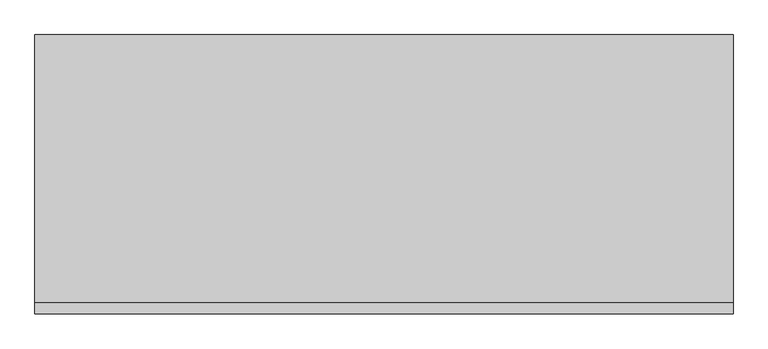
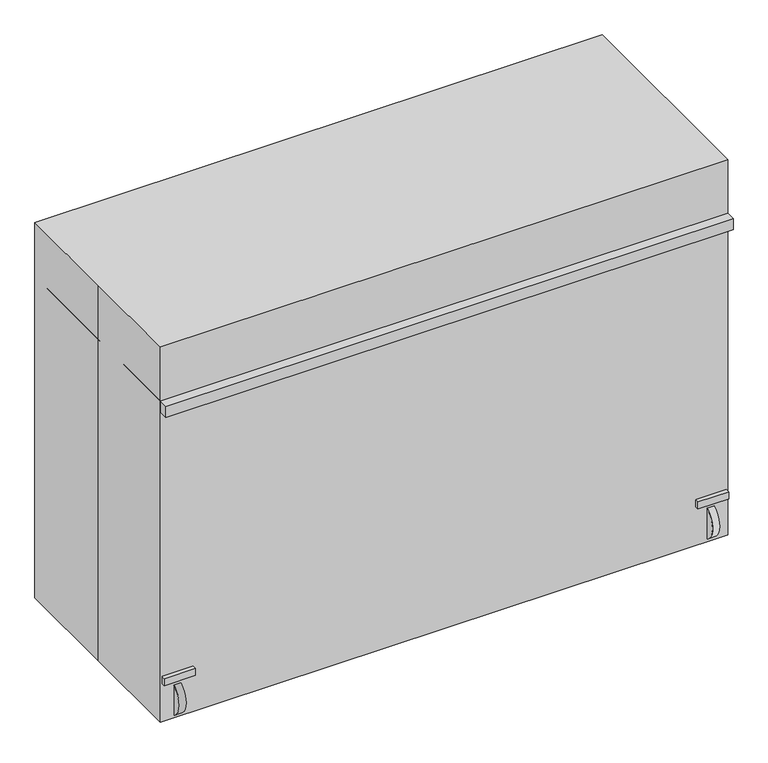
"""IFC4 building model written with IfcOpenShell, lengths in millimetres: proxy geometry."""

import ifcopenshell
import ifcopenshell.guid

model = None  # the IFC model being written
_history = None  # IfcOwnerHistory: only IFC2X3 demands one
_inside = {}  # id of a spatial element -> (the spatial element, [elements in it])
_under = {}  # id of a project, library or spatial element -> (it, [spatial elements below it])
_declared = {}  # id of a project -> (the project, [libraries it declares])
_typed = {}  # id of a type object -> (the type object, [elements of that type])
_made_of = {}  # id of a material, layer set ... -> (it, [elements and type objects made of it])


def new_model(schema):
    """Start an empty IFC model of exactly this schema.

    Asked for "IFC4X3", IfcOpenShell would pick the latest addendum, in which some entities
    have other attributes; the version numbers below select the first issue.
    IFC2X3 requires an IfcOwnerHistory on every rooted entity: one is made here for all.
    """
    global model, _history
    if schema == "IFC4X3":
        model = ifcopenshell.file(schema_version=(4, 3, 0, 0))
    else:
        model = ifcopenshell.file(schema=schema)
    _inside.clear()
    _under.clear()
    _declared.clear()
    _typed.clear()
    _made_of.clear()
    _history = None
    if model.schema == "IFC2X3":
        org = make("IfcOrganization", Name="unknown")
        user = make(
            "IfcPersonAndOrganization",
            ThePerson=make("IfcPerson", FamilyName="unknown"),
            TheOrganization=org,
        )
        app = make(
            "IfcApplication",
            ApplicationDeveloper=org,
            Version="unknown",
            ApplicationFullName="unknown",
            ApplicationIdentifier="unknown",
        )
        _history = make(
            "IfcOwnerHistory",
            OwningUser=user,
            OwningApplication=app,
            ChangeAction="ADDED",
            CreationDate=0,
        )
    return model


def make(cls, **values):
    """One entity of the class cls with the attributes given. An attribute that is None is left unset."""
    return model.create_entity(
        cls, **{name: value for name, value in values.items() if value is not None}
    )


def rooted(cls, **values):
    """An entity with a GlobalId (a new one), such as an element, a storey or a relation."""
    return make(cls, GlobalId=ifcopenshell.guid.new(), OwnerHistory=_history, **values)


def si_unit(unit_type, name, prefix=None):
    """IfcSIUnit, for example si_unit("LENGTHUNIT", "METRE", prefix="MILLI")."""
    return make("IfcSIUnit", UnitType=unit_type, Prefix=prefix, Name=name)


def assignment(units):
    """IfcUnitAssignment: the units of a project."""
    return None if units is None else make("IfcUnitAssignment", Units=units)


def point(xyz):
    """IfcCartesianPoint."""
    return None if xyz is None else make("IfcCartesianPoint", Coordinates=xyz)


def direction(xyz):
    """IfcDirection."""
    return None if xyz is None else make("IfcDirection", DirectionRatios=xyz)


def frame(location, z_axis=None, x_axis=None):
    """IfcAxis2Placement3D, a coordinate frame: its origin and axes. An axis left out is left unset."""
    return make(
        "IfcAxis2Placement3D",
        Location=point(location),
        Axis=direction(z_axis),
        RefDirection=direction(x_axis),
    )


def frame_2d(location, x_axis=None):
    """IfcAxis2Placement2D, a coordinate frame in the plane: its origin and x axis."""
    return make(
        "IfcAxis2Placement2D", Location=point(location), RefDirection=direction(x_axis)
    )


def origin():
    """The frame at (0, 0, 0) with its axes left unset."""
    return frame((0.0, 0.0, 0.0))


def origin_with_axes():
    """The frame at (0, 0, 0) with the z axis (0, 0, 1) and the x axis (1, 0, 0) written out."""
    return frame((0.0, 0.0, 0.0), z_axis=(0.0, 0.0, 1.0), x_axis=(1.0, 0.0, 0.0))


def place(relative_to, where):
    """IfcLocalPlacement: puts the frame where relative to a parent placement (None: the world)."""
    return make(
        "IfcLocalPlacement", PlacementRelTo=relative_to, RelativePlacement=where
    )


def context(
    kind, dimensions, precision=None, world=None, true_north=None, identifier=None
):
    """IfcGeometricRepresentationContext, for example the 3D "Model" context."""
    return make(
        "IfcGeometricRepresentationContext",
        ContextIdentifier=identifier,
        ContextType=kind,
        CoordinateSpaceDimension=dimensions,
        Precision=precision,
        WorldCoordinateSystem=world,
        TrueNorth=true_north,
    )


def project(units=None, contexts=None):
    """IfcProject with its units and contexts."""
    return rooted(
        "IfcProject",
        Name="project",
        RepresentationContexts=contexts,
        UnitsInContext=assignment(units),
    )


def spatial(cls, under=None, at=None, **own):
    """A site, building, storey or space (cls), placed at a placement, below another one or the project."""
    s = rooted(cls, ObjectPlacement=at, **own)
    if under is not None:
        _under.setdefault(under.id(), (under, []))[1].append(s)
    return s


def polyline(points):
    """IfcPolyline through the points."""
    return make("IfcPolyline", Points=[point(p) for p in points])


def circle_curve(where, radius):
    """IfcCircle in the frame where."""
    return make("IfcCircle", Position=where, Radius=radius)


def trimmed(basis, trim1, trim2, sense, master):
    """IfcTrimmedCurve: the piece of a basis curve between two trims."""
    return make(
        "IfcTrimmedCurve",
        BasisCurve=basis,
        Trim1=trim1,
        Trim2=trim2,
        SenseAgreement=sense,
        MasterRepresentation=master,
    )


def segment(curve, same_sense, transition):
    """IfcCompositeCurveSegment."""
    return make(
        "IfcCompositeCurveSegment",
        Transition=transition,
        SameSense=same_sense,
        ParentCurve=curve,
    )


def composite_curve(segments, self_intersect=None):
    """IfcCompositeCurve: segments joined end to end."""
    return make("IfcCompositeCurve", Segments=segments, SelfIntersect=self_intersect)


def outline(outer, holes=None, kind="AREA"):
    """IfcArbitraryClosedProfileDef: a profile drawn as a closed curve; with holes, ...WithVoids."""
    if holes is None:
        return make("IfcArbitraryClosedProfileDef", ProfileType=kind, OuterCurve=outer)
    return make(
        "IfcArbitraryProfileDefWithVoids",
        ProfileType=kind,
        OuterCurve=outer,
        InnerCurves=holes,
    )


def extrude(swept, where, along, depth):
    """IfcExtrudedAreaSolid: the profile swept, set in the frame where, extruded along a direction by depth."""
    return make(
        "IfcExtrudedAreaSolid",
        SweptArea=swept,
        Position=where,
        ExtrudedDirection=direction(along),
        Depth=depth,
    )


def faces_of(points, faces, orient=None, outer=None):
    """IfcFace entities. A face is a list of loops; a loop is a list of indices into points, from 0.

    orient and outer hold one flag for each loop. By default every Orientation is true, the
    first loop of a face is its IfcFaceOuterBound and the others are IfcFaceBound.
    """
    made = []
    for i, loops in enumerate(faces):
        bounds = []
        for j, loop in enumerate(loops):
            is_outer = j == 0 if outer is None else outer[i][j]
            bounds.append(
                make(
                    "IfcFaceOuterBound" if is_outer else "IfcFaceBound",
                    Bound=make("IfcPolyLoop", Polygon=[points[k] for k in loop]),
                    Orientation=True if orient is None else orient[i][j],
                )
            )
        made.append(make("IfcFace", Bounds=bounds))
    return made


def faceted_brep(points, faces, orient=None, outer=None, voids=None):
    """IfcFacetedBrep: a solid bounded by flat faces; with voids (closed shells), ...WithVoids."""
    shared = [point(p) for p in points]
    hull = make("IfcClosedShell", CfsFaces=faces_of(shared, faces, orient, outer))
    if voids is None:
        return make("IfcFacetedBrep", Outer=hull)
    return make(
        "IfcFacetedBrepWithVoids",
        Outer=hull,
        Voids=[
            make(cls, CfsFaces=faces_of(shared, fs, o, b)) for cls, fs, o, b in voids
        ],
    )


def shape(context_of_items, identifier, shape_type, items):
    """IfcShapeRepresentation: the items that make up one representation, for example the "Body"."""
    return make(
        "IfcShapeRepresentation",
        ContextOfItems=context_of_items,
        RepresentationIdentifier=identifier,
        RepresentationType=shape_type,
        Items=items,
    )


def source(mapping_origin, context_of_items, identifier, shape_type, items):
    """IfcRepresentationMap: a shape defined once, which mapped items show again and again."""
    return make(
        "IfcRepresentationMap",
        MappingOrigin=mapping_origin,
        MappedRepresentation=shape(context_of_items, identifier, shape_type, items),
    )


def transform(
    local_origin,
    x_axis=None,
    y_axis=None,
    z_axis=None,
    scale=None,
    scale2=None,
    scale3=None,
    uniform=True,
):
    """IfcCartesianTransformationOperator3D, or its non-uniform kind. x_axis, y_axis, z_axis: its Axis1, 2, 3."""
    if uniform:
        return make(
            "IfcCartesianTransformationOperator3D",
            Axis1=direction(x_axis),
            Axis2=direction(y_axis),
            LocalOrigin=point(local_origin),
            Scale=scale,
            Axis3=direction(z_axis),
        )
    return make(
        "IfcCartesianTransformationOperator3DnonUniform",
        Axis1=direction(x_axis),
        Axis2=direction(y_axis),
        LocalOrigin=point(local_origin),
        Scale=scale,
        Axis3=direction(z_axis),
        Scale2=scale2,
        Scale3=scale3,
    )


def mapped(mapping_source, mapping_target):
    """IfcMappedItem: shows the shape of a source again, moved by a transform."""
    return make(
        "IfcMappedItem", MappingSource=mapping_source, MappingTarget=mapping_target
    )


def made_of(thing, what):
    """Note that an element or type object is made of a material, layer set ...; save() writes the relation."""
    if what is not None:
        _made_of.setdefault(what.id(), (what, []))[1].append(thing)
    return thing


def element(
    cls,
    number,
    at=None,
    inside=None,
    cuts=None,
    type_object=None,
    material=None,
    context=None,
    identifier="Body",
    shape_type=None,
    held_by="IfcProductDefinitionShape",
    body=None,
    shapes=None,
    **own,
):
    """One element of the class cls, such as IfcWall. Its Tag is "e" and its number.

    at: its placement. inside: the storey or other place that contains it. cuts: it is an
    opening in that element (IfcRelVoidsElement). A single representation is given by context,
    identifier, shape_type and body (its items); several are given by shapes. held_by: the class
    of the entity that holds the representations. save() writes the other relations.
    """
    e = rooted(cls, Tag="e%d" % number, ObjectPlacement=at, **own)
    if body is not None:
        shapes = [shape(context, identifier, shape_type, body)]
    if shapes is not None:
        e.Representation = make(held_by, Representations=shapes)
    if inside is not None:
        _inside.setdefault(inside.id(), (inside, []))[1].append(e)
    if cuts is not None:
        rooted(
            "IfcRelVoidsElement", RelatingBuildingElement=cuts, RelatedOpeningElement=e
        )
    if type_object is not None:
        _typed.setdefault(type_object.id(), (type_object, []))[1].append(e)
    return made_of(e, material)


def aggregate(whole, parts):
    """IfcRelAggregates: a whole, such as a stair, and the parts it consists of."""
    return rooted("IfcRelAggregates", RelatingObject=whole, RelatedObjects=parts)


def save(model, path):
    """Write the relations noted so far, then the file.

    IfcRelAggregates (storeys below a building ...), IfcRelContainedInSpatialStructure (elements
    in a storey), IfcRelDefinesByType, IfcRelAssociatesMaterial and IfcRelDeclares: one each for
    every whole, place, type object, material and project.
    """
    for whole, parts in _under.values():
        aggregate(whole, parts)
    for where, things in _inside.values():
        rooted(
            "IfcRelContainedInSpatialStructure",
            RelatedElements=things,
            RelatingStructure=where,
        )
    for kind, things in _typed.values():
        rooted("IfcRelDefinesByType", RelatedObjects=things, RelatingType=kind)
    for what, things in _made_of.values():
        rooted("IfcRelAssociatesMaterial", RelatedObjects=things, RelatingMaterial=what)
    for by, libraries in _declared.values():
        rooted("IfcRelDeclares", RelatingContext=by, RelatedDefinitions=libraries)
    model.write(path)


def plane_surface(at):
    """IfcPlane: the flat surface through the origin of the frame at, square to its z axis."""
    return make("IfcPlane", Position=at)


def cylinder_surface(at, radius):
    """IfcCylindricalSurface: all points at the distance radius from the z axis of the frame at."""
    return make("IfcCylindricalSurface", Position=at, Radius=radius)


def revolved_surface(curve, axis_point, axis_direction):
    """IfcSurfaceOfRevolution: the curve turned about the line through axis_point along axis_direction."""
    return make(
        "IfcSurfaceOfRevolution",
        SweptCurve=make("IfcArbitraryOpenProfileDef", ProfileType="CURVE", Curve=curve),
        AxisPosition=make("IfcAxis1Placement", Location=point(axis_point), Axis=direction(axis_direction)),
    )


def advanced_brep(points, edges, surfaces, faces):
    """IfcAdvancedBrep: a solid bounded by faces that lie on surfaces and meet in shared edges.

    An edge is (start, end): straight between two places in points (the first is 0);
    or (start, end, curve); or (start, end, curve, False) where it runs against its curve.
    A face is (place in surfaces, loops), or (place, loops, False) where it looks against
    its surface's normal. A loop lists edges by number (the first is 1), with a minus sign
    where the edge is run from its end to its start. The first loop is the outer one.
    """
    corners = [point(p) for p in points]
    vertices = [make("IfcVertexPoint", VertexGeometry=c) for c in corners]
    made = []
    for start, end, *more in edges:
        made.append(
            make(
                "IfcEdgeCurve",
                EdgeStart=vertices[start],
                EdgeEnd=vertices[end],
                EdgeGeometry=more[0] if more else make("IfcPolyline", Points=[corners[start], corners[end]]),
                SameSense=more[1] if len(more) > 1 else True,
            )
        )
    hull = []
    for where, loops, *sense in faces:
        bounds = []
        for j, loop in enumerate(loops):
            ring = [make("IfcOrientedEdge", EdgeElement=made[abs(k) - 1], Orientation=k > 0) for k in loop]
            bounds.append(
                make(
                    "IfcFaceOuterBound" if j == 0 else "IfcFaceBound",
                    Bound=make("IfcEdgeLoop", EdgeList=ring),
                    Orientation=True,
                )
            )
        hull.append(make("IfcAdvancedFace", Bounds=bounds, FaceSurface=surfaces[where], SameSense=sense[0] if sense else True))
    return make("IfcAdvancedBrep", Outer=make("IfcClosedShell", CfsFaces=hull))


def specialty_equipment_40d83a35(model_context):
    return source(origin(), model_context, "Body", "SolidModel", [
        extrude(outline(polyline([(682.4652477, 236.5184026), (752.2483335, 236.5184026), (752.2483335, -273.9122521), (682.4652477, -273.9122521), (682.4652477, 236.5184026)])), frame((0.0, 0.0, 120.6647124), z_axis=(0.0, 0.0, 1.0), x_axis=(1.0, 0.0, 0.0)), (0.0, 0.0, 1.0), 3.3733715),
        extrude(outline(polyline([(682.4652477, 236.5184026), (752.2483335, 236.5184026), (752.2483335, -273.9122521), (682.4652477, -273.9122521), (682.4652477, 236.5184026)])), frame((0.0, 0.0, 120.6647124), z_axis=(0.0, 0.0, 1.0), x_axis=(1.0, 0.0, 0.0)), (0.0, 0.0, 1.0), 3.3733715),
        extrude(outline(polyline([(180.1753441, 50.8671526), (191.2227079, 120.6174625), (236.5158626, 120.6174625), (219.1251571, 50.8671526), (218.2753441, 50.8671526), (180.1753441, 50.8671526)])), frame((704.0798205, 0.0, 0.0), z_axis=(1.0, 0.0, 0.0), x_axis=(0.0, 1.0, 0.0)), (0.0, 0.0, 1.0), 3.2332313),
        extrude(outline(polyline([(180.1778841, 50.8671526), (191.2252479, 120.6174625), (236.5184026, 120.6174625), (219.1276971, 50.8671526), (218.2778841, 50.8671526), (180.1778841, 50.8671526)])), frame((726.308286, 0.0, 0.0), z_axis=(1.0, 0.0, 0.0), x_axis=(0.0, 1.0, 0.0)), (0.0, 0.0, 1.0), 3.2332313),
        extrude(outline(composite_curve([segment(trimmed(circle_curve(frame_2d((199.5951369, 51.2464817)), 50.8), [point((199.5951369, 102.0464817))], [point((199.5951369, 0.4464817))], False, "CARTESIAN"), True, "CONTINUOUS"), segment(trimmed(circle_curve(frame_2d((199.5951369, 51.2464817)), 50.8), [point((199.5951369, 0.4464817))], [point((199.5951369, 102.0464817))], False, "CARTESIAN"), True, "CONTINUOUS")], self_intersect=False)), frame((707.3130519, 0.0, 0.0), z_axis=(1.0, 0.0, 0.0), x_axis=(0.0, 1.0, 0.0)), (0.0, 0.0, 1.0), 18.9952341),
        extrude(outline(composite_curve([segment(trimmed(circle_curve(frame_2d((-265.9782398, 51.2464817)), 50.8), [point((-265.9782398, 102.0464817))], [point((-265.9782398, 0.4464817))], False, "CARTESIAN"), True, "CONTINUOUS"), segment(trimmed(circle_curve(frame_2d((-265.9782398, 51.2464817)), 50.8), [point((-265.9782398, 0.4464817))], [point((-265.9782398, 102.0464817))], False, "CARTESIAN"), True, "CONTINUOUS")], self_intersect=False)), frame((707.3130519, 0.0, 0.0), z_axis=(1.0, 0.0, 0.0), x_axis=(0.0, 1.0, 0.0)), (0.0, 0.0, 1.0), 18.9952341),
        extrude(outline(polyline([(-284.9596159, 50.8671526), (-273.9122521, 120.6174625), (-228.6190974, 120.6174625), (-246.0098029, 50.8671526), (-246.8596159, 50.8671526), (-284.9596159, 50.8671526)])), frame((704.0798205, 0.0, 0.0), z_axis=(1.0, 0.0, 0.0), x_axis=(0.0, 1.0, 0.0)), (0.0, 0.0, 1.0), 3.2332313),
        extrude(outline(polyline([(-284.9596159, 50.8671526), (-273.9122521, 120.6174625), (-228.6190974, 120.6174625), (-246.0098029, 50.8671526), (-246.8596159, 50.8671526), (-284.9596159, 50.8671526)])), frame((726.308286, 0.0, 0.0), z_axis=(1.0, 0.0, 0.0), x_axis=(0.0, 1.0, 0.0)), (0.0, 0.0, 1.0), 3.2332313),
        extrude(outline(composite_curve([segment(polyline([(277.7901977, 130.1758672), (277.7901977, 110.2730684), (172.8901958, 110.2730684)]), True, "CONTINUOUS"), segment(trimmed(circle_curve(frame_2d((202.1790771, -62.375394)), 175.115191), [point((172.8901958, 110.2730684))], [point((103.3160355, 82.163283))], True, "CARTESIAN"), True, "CONTINUOUS"), segment(polyline([(103.3160355, 82.163283), (-55.4339645, 82.163283)]), True, "CONTINUOUS"), segment(trimmed(circle_curve(frame_2d((-229.2778773, -440.9069155)), 551.202448), [point((-55.4339645, 82.163283))], [point((-224.3015368, 110.2730684))], True, "CARTESIAN"), True, "CONTINUOUS"), segment(polyline([(-224.3015368, 110.2730684), (-303.2385147, 110.2730684), (-303.2385147, 130.1758672), (277.7901977, 130.1758672)]), True, "CONTINUOUS")], self_intersect=False)), frame((675.48125, 0.0, 0.0), z_axis=(1.0, 0.0, 0.0), x_axis=(0.0, 1.0, 0.0)), (0.0, 0.0, 1.0), 82.55),
        extrude(outline(composite_curve([segment(polyline([(183.2204418, 130.1758672), (-58.0795582, 130.1758672), (-58.0795582, 835.4053249)]), True, "CONTINUOUS"), segment(trimmed(circle_curve(frame_2d((-279.1431941, -17.1349375)), 880.7349375), [point((-58.0795582, 835.4053249))], [point((-279.1431941, 863.6))], True, "CARTESIAN"), True, "CONTINUOUS"), segment(polyline([(-279.1431941, 863.6), (-279.1431941, 882.65), (254.6930076, 882.65), (254.6930076, 863.6)]), True, "CONTINUOUS"), segment(trimmed(circle_curve(frame_2d((254.6930076, 758.9123711)), 104.6876289), [point((254.6930076, 863.6))], [point((183.2204418, 835.4053249))], True, "CARTESIAN"), True, "CONTINUOUS"), segment(polyline([(183.2204418, 835.4053249), (183.2204418, 130.1758672)]), True, "CONTINUOUS")], self_intersect=False)), frame((700.0875, 0.0, 0.0), z_axis=(1.0, 0.0, 0.0), x_axis=(0.0, 1.0, 0.0)), (0.0, 0.0, 1.0), 33.3375),
        extrude(outline(polyline([(-762.0, 292.1), (762.0, 292.1), (762.0, -292.1), (-762.0, -292.1), (-762.0, 0.0), (-762.0, 292.1)])), origin_with_axes(), (0.0, 0.0, 1.0), 1066.8),
        extrude(outline(polyline([(-752.2483335, 236.5184026), (-682.4652477, 236.5184026), (-682.4652477, -273.9122521), (-752.2483335, -273.9122521), (-752.2483335, 236.5184026)])), frame((0.0, 0.0, 120.6647124), z_axis=(0.0, 0.0, 1.0), x_axis=(1.0, 0.0, 0.0)), (0.0, 0.0, 1.0), 3.3733715),
        extrude(outline(polyline([(-752.2483335, 236.5184026), (-682.4652477, 236.5184026), (-682.4652477, -273.9122521), (-752.2483335, -273.9122521), (-752.2483335, 236.5184026)])), frame((0.0, 0.0, 120.6647124), z_axis=(0.0, 0.0, 1.0), x_axis=(1.0, 0.0, 0.0)), (0.0, 0.0, 1.0), 3.3733715),
        extrude(outline(polyline([(-752.2483335, -30.7769942), (-682.4652477, -30.7769942), (-682.4652477, -119.6769942), (-752.2483335, -119.6769942), (-752.2483335, -30.7769942)])), frame((0.0, 0.0, 120.6647124), z_axis=(0.0, 0.0, 1.0), x_axis=(1.0, 0.0, 0.0)), (0.0, 0.0, 1.0), 3.3733715),
        extrude(outline(polyline([(180.1753441, 50.8671526), (191.2227079, 120.6174625), (236.5158626, 120.6174625), (219.1251571, 50.8671526), (218.2753441, 50.8671526), (180.1753441, 50.8671526)])), frame((-707.3130519, 0.0, 0.0), z_axis=(1.0, 0.0, 0.0), x_axis=(0.0, 1.0, 0.0)), (0.0, 0.0, 1.0), 3.2332313),
        extrude(outline(polyline([(180.1778841, 50.8671526), (191.2252479, 120.6174625), (236.5184026, 120.6174625), (219.1276971, 50.8671526), (218.2778841, 50.8671526), (180.1778841, 50.8671526)])), frame((-729.5415173, 0.0, 0.0), z_axis=(1.0, 0.0, 0.0), x_axis=(0.0, 1.0, 0.0)), (0.0, 0.0, 1.0), 3.2332313),
        extrude(outline(composite_curve([segment(trimmed(circle_curve(frame_2d((199.5951369, 51.2464817)), 50.8), [point((199.5951369, 102.0464817))], [point((199.5951369, 0.4464817))], False, "CARTESIAN"), True, "CONTINUOUS"), segment(trimmed(circle_curve(frame_2d((199.5951369, 51.2464817)), 50.8), [point((199.5951369, 0.4464817))], [point((199.5951369, 102.0464817))], False, "CARTESIAN"), True, "CONTINUOUS")], self_intersect=False)), frame((-726.308286, 0.0, 0.0), z_axis=(1.0, 0.0, 0.0), x_axis=(0.0, 1.0, 0.0)), (0.0, 0.0, 1.0), 18.9952341),
        extrude(outline(composite_curve([segment(trimmed(circle_curve(frame_2d((-265.9782398, 51.2464817)), 50.8), [point((-265.9782398, 102.0464817))], [point((-265.9782398, 0.4464817))], False, "CARTESIAN"), True, "CONTINUOUS"), segment(trimmed(circle_curve(frame_2d((-265.9782398, 51.2464817)), 50.8), [point((-265.9782398, 0.4464817))], [point((-265.9782398, 102.0464817))], False, "CARTESIAN"), True, "CONTINUOUS")], self_intersect=False)), frame((-726.308286, 0.0, 0.0), z_axis=(1.0, 0.0, 0.0), x_axis=(0.0, 1.0, 0.0)), (0.0, 0.0, 1.0), 18.9952341),
        extrude(outline(polyline([(-284.9596159, 50.8671526), (-273.9122521, 120.6174625), (-228.6190974, 120.6174625), (-246.0098029, 50.8671526), (-246.8596159, 50.8671526), (-284.9596159, 50.8671526)])), frame((-707.3130519, 0.0, 0.0), z_axis=(1.0, 0.0, 0.0), x_axis=(0.0, 1.0, 0.0)), (0.0, 0.0, 1.0), 3.2332313),
        extrude(outline(polyline([(-284.9596159, 50.8671526), (-273.9122521, 120.6174625), (-228.6190974, 120.6174625), (-246.0098029, 50.8671526), (-246.8596159, 50.8671526), (-284.9596159, 50.8671526)])), frame((-729.5415173, 0.0, 0.0), z_axis=(1.0, 0.0, 0.0), x_axis=(0.0, 1.0, 0.0)), (0.0, 0.0, 1.0), 3.2332313),
        extrude(outline(composite_curve([segment(polyline([(277.7901977, 130.1758672), (277.7901977, 110.2730684), (172.8901958, 110.2730684)]), True, "CONTINUOUS"), segment(trimmed(circle_curve(frame_2d((202.1790771, -62.375394)), 175.115191), [point((172.8901958, 110.2730684))], [point((103.3160355, 82.163283))], True, "CARTESIAN"), True, "CONTINUOUS"), segment(polyline([(103.3160355, 82.163283), (-55.4339645, 82.163283)]), True, "CONTINUOUS"), segment(trimmed(circle_curve(frame_2d((-229.2778773, -440.9069155)), 551.202448), [point((-55.4339645, 82.163283))], [point((-224.3015368, 110.2730684))], True, "CARTESIAN"), True, "CONTINUOUS"), segment(polyline([(-224.3015368, 110.2730684), (-303.2385147, 110.2730684), (-303.2385147, 130.1758672), (277.7901977, 130.1758672)]), True, "CONTINUOUS")], self_intersect=False)), frame((-758.03125, 0.0, 0.0), z_axis=(1.0, 0.0, 0.0), x_axis=(0.0, 1.0, 0.0)), (0.0, 0.0, 1.0), 82.55),
        extrude(outline(composite_curve([segment(polyline([(277.7901977, 130.1758672), (277.7901977, 110.2730684), (172.8901958, 110.2730684)]), True, "CONTINUOUS"), segment(trimmed(circle_curve(frame_2d((202.1790771, -62.375394)), 175.115191), [point((172.8901958, 110.2730684))], [point((103.3160355, 82.163283))], True, "CARTESIAN"), True, "CONTINUOUS"), segment(polyline([(103.3160355, 82.163283), (-55.4339645, 82.163283)]), True, "CONTINUOUS"), segment(trimmed(circle_curve(frame_2d((-229.2778773, -440.9069155)), 551.202448), [point((-55.4339645, 82.163283))], [point((-224.3015368, 110.2730684))], True, "CARTESIAN"), True, "CONTINUOUS"), segment(polyline([(-224.3015368, 110.2730684), (-303.2385147, 110.2730684), (-303.2385147, 130.1758672), (277.7901977, 130.1758672)]), True, "CONTINUOUS")], self_intersect=False)), frame((-758.03125, 0.0, 0.0), z_axis=(1.0, 0.0, 0.0), x_axis=(0.0, 1.0, 0.0)), (0.0, 0.0, 1.0), 82.55),
        extrude(outline(composite_curve([segment(polyline([(183.2204418, 130.1758672), (-58.0795582, 130.1758672), (-58.0795582, 835.4053249)]), True, "CONTINUOUS"), segment(trimmed(circle_curve(frame_2d((-279.1431941, -17.1349375)), 880.7349375), [point((-58.0795582, 835.4053249))], [point((-279.1431941, 863.6))], True, "CARTESIAN"), True, "CONTINUOUS"), segment(polyline([(-279.1431941, 863.6), (-279.1431941, 882.65), (254.6930076, 882.65), (254.6930076, 863.6)]), True, "CONTINUOUS"), segment(trimmed(circle_curve(frame_2d((254.6930076, 758.9123711)), 104.6876289), [point((254.6930076, 863.6))], [point((183.2204418, 835.4053249))], True, "CARTESIAN"), True, "CONTINUOUS"), segment(polyline([(183.2204418, 835.4053249), (183.2204418, 130.1758672)]), True, "CONTINUOUS")], self_intersect=False)), frame((-733.425, 0.0, 0.0), z_axis=(1.0, 0.0, 0.0), x_axis=(0.0, 1.0, 0.0)), (0.0, 0.0, 1.0), 33.3375),
        faceted_brep([(-33.3375, 94.2578125, 569.9125), (-700.0875, 94.2578125, 569.9125), (-700.0875, -270.8671875, 569.9125), (-33.3375, -270.8671875, 569.9125), (-693.7375, 87.9078125, 569.9125), (-39.6875, 87.9078125, 569.9125), (-39.6875, -264.5171875, 569.9125), (-693.7375, -264.5171875, 569.9125), (-33.3375, 94.2578125, 350.8375), (-33.3375, -270.8671875, 350.8375), (-700.0875, -270.8671875, 350.8375), (-700.0875, 94.2578125, 350.8375), (-39.6875, 87.9078125, 357.1875), (-693.7375, 87.9078125, 357.1875), (-693.7375, -264.5171875, 357.1875), (-39.6875, -264.5171875, 357.1875)], [[[0, 1, 2, 3], [4, 5, 6, 7]], [[8, 9, 10, 11]], [[1, 0, 8, 11]], [[2, 1, 11, 10]], [[3, 2, 10, 9]], [[0, 3, 9, 8]], [[12, 13, 14, 15]], [[13, 12, 5, 4]], [[14, 13, 4, 7]], [[15, 14, 7, 6]], [[12, 15, 6, 5]]]),
        advanced_brep(
        [(-26.9875, -274.0421875, 569.9125), (-26.9875, -289.9171875, 558.8127), (-26.9875, -286.4827476, 558.8127), (-26.9875, -275.126169, 566.6946341), (-26.9875, -270.8671875, 566.6946341), (-26.9875, -270.8671875, 558.8127), (-26.9875, 100.6078125, 558.8127), (-26.9875, 100.6078125, 569.9125), (-693.7375, 100.6078125, 569.9125), (-693.7375, 100.6078125, 558.8127), (-693.7375, 87.9078125, 558.8127), (-693.7375, 87.9078125, 569.9125), (-693.7375, -270.8671875, 558.8127), (-693.7375, -270.8671875, 566.6946341), (-693.7375, -275.126169, 566.6946341), (-693.7375, -286.4827476, 558.8127), (-693.7375, -289.9171875, 558.8127), (-693.7375, -274.0421875, 569.9125), (-693.7375, -264.5171875, 569.9125), (-693.7375, -264.5171875, 558.8127), (-39.6875, -264.5171875, 558.8127), (-39.6875, 87.9078125, 558.8127), (-39.6875, 87.9078125, 569.9125), (-39.6875, -264.5171875, 569.9125)],
        [
            (0, 1, circle_curve(frame((-26.9875, -274.0421875, 553.0103403), z_axis=(1.0, 0.0, 0.0), x_axis=(0.0, 1.0, 0.0)), 16.9021597)),
            (1, 2),
            (2, 3, circle_curve(frame((-26.9875, -274.0421875, 553.0103403), z_axis=(-1.0, 0.0, 0.0), x_axis=(0.0, 1.0, 0.0)), 13.7271597)),
            (3, 4),
            (4, 5),
            (5, 6),
            (6, 7),
            (7, 0),
            (8, 9),
            (9, 10),
            (10, 11),
            (11, 8),
            (12, 13),
            (13, 14),
            (14, 15, circle_curve(frame((-693.7375, -274.0421875, 553.0103403), z_axis=(1.0, 0.0, 0.0), x_axis=(0.0, 1.0, 0.0)), 13.7271597)),
            (15, 16),
            (16, 17, circle_curve(frame((-693.7375, -274.0421875, 553.0103403), z_axis=(-1.0, 0.0, 0.0), x_axis=(0.0, 1.0, 0.0)), 16.9021597)),
            (17, 18),
            (18, 19),
            (19, 12),
            (0, 17),
            (16, 1),
            (15, 2),
            (14, 3),
            (13, 4),
            (12, 5),
            (19, 20),
            (20, 21),
            (21, 10),
            (9, 6),
            (8, 7),
            (11, 22),
            (22, 23),
            (23, 18),
            (21, 22),
            (23, 20),
        ],
        [
            plane_surface(frame((-26.9875, -257.1400278, 553.0103403), z_axis=(1.0, 0.0, 0.0), x_axis=(0.0, 0.0, 1.0))),
            plane_surface(frame((-693.7375, -257.1400278, 553.0103403), z_axis=(-1.0, 0.0, 0.0), x_axis=(0.0, 0.0, -1.0))),
            cylinder_surface(frame((-693.7375, -274.0421875, 553.0103403), z_axis=(1.0, 0.0, 0.0), x_axis=(0.0, 1.0, 0.0)), 16.9021597),
            plane_surface(frame((-26.9875, -289.9171875, 558.8127), z_axis=(0.0, 4.9462149909935135e-12, -1.0), x_axis=(-1.0, 0.0, 0.0))),
            revolved_surface(polyline([(-693.7375, -260.3150278, 553.0103403), (-26.987499999999955, -260.3150278, 553.0103403)]), (-693.7375, -274.0421875, 553.0103403), (-1.0, 0.0, 0.0)),
            plane_surface(frame((-26.9875, -275.126169, 566.6946341), z_axis=(0.0, 2.8762591261027287e-12, -1.0), x_axis=(-1.0, 0.0, 0.0))),
            plane_surface(frame((-26.9875, -270.8671875, 566.6946341), z_axis=(0.0, -1.0, 0.0), x_axis=(-1.0, 0.0, 0.0))),
            plane_surface(frame((-26.9875, -270.8671875, 558.8127), z_axis=(0.0, 0.0, -1.0), x_axis=(-1.0, 0.0, 0.0))),
            plane_surface(frame((-26.9875, 100.6078125, 558.8127), z_axis=(0.0, 1.0, 0.0), x_axis=(-1.0, 0.0, 0.0))),
            plane_surface(frame((-26.9875, 100.6078125, 569.9125), z_axis=(0.0, 0.0, 1.0), x_axis=(-1.0, 0.0, 0.0))),
            plane_surface(frame((-39.6875, 87.9078125, 569.9125), z_axis=(0.0, -1.0, 0.0), x_axis=(0.0, 0.0, -1.0))),
            plane_surface(frame((-693.7375, -264.5171875, 569.9125), z_axis=(0.0, 1.0, 0.0), x_axis=(0.0, 0.0, -1.0))),
            plane_surface(frame((-39.6875, -264.5171875, 569.9125), z_axis=(-1.0, 0.0, 0.0), x_axis=(0.0, 0.0, -1.0))),
        ],
        [
            (0, [[1, 2, 3, 4, 5, 6, 7, 8]]),
            (1, [[9, 10, 11, 12]]),
            (1, [[13, 14, 15, 16, 17, 18, 19, 20]]),
            (2, [[-1, 21, -17, 22]]),
            (3, [[-2, -22, -16, 23]]),
            (4, [[-3, -23, -15, 24]]),
            (5, [[-4, -24, -14, 25]]),
            (6, [[-5, -25, -13, 26]]),
            (7, [[-6, -26, -20, 27, 28, 29, -10, 30]]),
            (8, [[-7, -30, -9, 31]]),
            (9, [[-8, -31, -12, 32, 33, 34, -18, -21]]),
            (10, [[35, -32, -11, -29]]),
            (11, [[36, -27, -19, -34]]),
            (12, [[-35, -28, -36, -33]]),
        ],
    ),
        faceted_brep([(-33.3375, 94.2578125, 722.3125), (-700.0875, 94.2578125, 722.3125), (-700.0875, -270.8671875, 722.3125), (-33.3375, -270.8671875, 722.3125), (-693.7375, 87.9078125, 722.3125), (-39.6875, 87.9078125, 722.3125), (-39.6875, -264.5171875, 722.3125), (-693.7375, -264.5171875, 722.3125), (-33.3375, 94.2578125, 579.4375), (-33.3375, -270.8671875, 579.4375), (-700.0875, -270.8671875, 579.4375), (-700.0875, 94.2578125, 579.4375), (-39.6875, 87.9078125, 585.7875), (-693.7375, 87.9078125, 585.7875), (-693.7375, -264.5171875, 585.7875), (-39.6875, -264.5171875, 585.7875)], [[[0, 1, 2, 3], [4, 5, 6, 7]], [[8, 9, 10, 11]], [[1, 0, 8, 11]], [[2, 1, 11, 10]], [[3, 2, 10, 9]], [[0, 3, 9, 8]], [[12, 13, 14, 15]], [[13, 12, 5, 4]], [[14, 13, 4, 7]], [[15, 14, 7, 6]], [[12, 15, 6, 5]]]),
        advanced_brep(
        [(-26.9875, -274.0421875, 722.3125), (-26.9875, -289.9171875, 711.2127), (-26.9875, -286.4827476, 711.2127), (-26.9875, -275.126169, 719.0946341), (-26.9875, -270.8671875, 719.0946341), (-26.9875, -270.8671875, 711.2127), (-26.9875, 100.6078125, 711.2127), (-26.9875, 100.6078125, 722.3125), (-693.7375, 100.6078125, 722.3125), (-693.7375, 100.6078125, 711.2127), (-693.7375, 87.9078125, 711.2127), (-693.7375, 87.9078125, 722.3125), (-693.7375, -270.8671875, 711.2127), (-693.7375, -270.8671875, 719.0946341), (-693.7375, -275.126169, 719.0946341), (-693.7375, -286.4827476, 711.2127), (-693.7375, -289.9171875, 711.2127), (-693.7375, -274.0421875, 722.3125), (-693.7375, -264.5171875, 722.3125), (-693.7375, -264.5171875, 711.2127), (-39.6875, -264.5171875, 711.2127), (-39.6875, 87.9078125, 711.2127), (-39.6875, 87.9078125, 722.3125), (-39.6875, -264.5171875, 722.3125)],
        [
            (0, 1, circle_curve(frame((-26.9875, -274.0421875, 705.4103403), z_axis=(1.0, 0.0, 0.0), x_axis=(0.0, 1.0, 0.0)), 16.9021597)),
            (1, 2),
            (2, 3, circle_curve(frame((-26.9875, -274.0421875, 705.4103403), z_axis=(-1.0, 0.0, 0.0), x_axis=(0.0, 1.0, 0.0)), 13.7271597)),
            (3, 4),
            (4, 5),
            (5, 6),
            (6, 7),
            (7, 0),
            (8, 9),
            (9, 10),
            (10, 11),
            (11, 8),
            (12, 13),
            (13, 14),
            (14, 15, circle_curve(frame((-693.7375, -274.0421875, 705.4103403), z_axis=(1.0, 0.0, 0.0), x_axis=(0.0, 1.0, 0.0)), 13.7271597)),
            (15, 16),
            (16, 17, circle_curve(frame((-693.7375, -274.0421875, 705.4103403), z_axis=(-1.0, 0.0, 0.0), x_axis=(0.0, 1.0, 0.0)), 16.9021597)),
            (17, 18),
            (18, 19),
            (19, 12),
            (0, 17),
            (16, 1),
            (15, 2),
            (14, 3),
            (13, 4),
            (12, 5),
            (19, 20),
            (20, 21),
            (21, 10),
            (9, 6),
            (8, 7),
            (11, 22),
            (22, 23),
            (23, 18),
            (21, 22),
            (23, 20),
        ],
        [
            plane_surface(frame((-26.9875, -257.1400278, 705.4103403), z_axis=(1.0, 0.0, 0.0), x_axis=(0.0, 0.0, 1.0))),
            plane_surface(frame((-693.7375, -257.1400278, 705.4103403), z_axis=(-1.0, 0.0, 0.0), x_axis=(0.0, 0.0, -1.0))),
            cylinder_surface(frame((-693.7375, -274.0421875, 705.4103403), z_axis=(1.0, 0.0, 0.0), x_axis=(0.0, 1.0, 0.0)), 16.9021597),
            plane_surface(frame((-26.9875, -289.9171875, 711.2127), z_axis=(0.0, 4.965921026814156e-12, -1.0), x_axis=(-1.0, 0.0, 0.0))),
            revolved_surface(polyline([(-693.7375, -260.3150278, 705.4103403), (-26.987499999999955, -260.3150278, 705.4103403)]), (-693.7375, -274.0421875, 705.4103403), (-1.0, 0.0, 0.0)),
            plane_surface(frame((-26.9875, -275.126169, 719.0946341), z_axis=(0.0, 2.892150060501109e-12, -1.0), x_axis=(-1.0, 0.0, 0.0))),
            plane_surface(frame((-26.9875, -270.8671875, 719.0946341), z_axis=(0.0, -1.0, 0.0), x_axis=(-1.0, 0.0, 0.0))),
            plane_surface(frame((-26.9875, -270.8671875, 711.2127), z_axis=(0.0, 0.0, -1.0), x_axis=(-1.0, 0.0, 0.0))),
            plane_surface(frame((-26.9875, 100.6078125, 711.2127), z_axis=(0.0, 1.0, 0.0), x_axis=(-1.0, 0.0, 0.0))),
            plane_surface(frame((-26.9875, 100.6078125, 722.3125), z_axis=(0.0, 0.0, 1.0), x_axis=(-1.0, 0.0, 0.0))),
            plane_surface(frame((-39.6875, 87.9078125, 722.3125), z_axis=(0.0, -1.0, 0.0), x_axis=(0.0, 0.0, -1.0))),
            plane_surface(frame((-693.7375, -264.5171875, 722.3125), z_axis=(0.0, 1.0, 0.0), x_axis=(0.0, 0.0, -1.0))),
            plane_surface(frame((-39.6875, -264.5171875, 722.3125), z_axis=(-1.0, 0.0, 0.0), x_axis=(0.0, 0.0, -1.0))),
        ],
        [
            (0, [[1, 2, 3, 4, 5, 6, 7, 8]]),
            (1, [[9, 10, 11, 12]]),
            (1, [[13, 14, 15, 16, 17, 18, 19, 20]]),
            (2, [[-1, 21, -17, 22]]),
            (3, [[-2, -22, -16, 23]]),
            (4, [[-3, -23, -15, 24]]),
            (5, [[-4, -24, -14, 25]]),
            (6, [[-5, -25, -13, 26]]),
            (7, [[-6, -26, -20, 27, 28, 29, -10, 30]]),
            (8, [[-7, -30, -9, 31]]),
            (9, [[-8, -31, -12, 32, 33, 34, -18, -21]]),
            (10, [[35, -32, -11, -29]]),
            (11, [[36, -27, -19, -34]]),
            (12, [[-35, -28, -36, -33]]),
        ],
    ),
        faceted_brep([(-33.3375, 94.2578125, 798.5125), (-700.0875, 94.2578125, 798.5125), (-700.0875, -270.8671875, 798.5125), (-33.3375, -270.8671875, 798.5125), (-693.7375, 87.9078125, 798.5125), (-39.6875, 87.9078125, 798.5125), (-39.6875, -264.5171875, 798.5125), (-693.7375, -264.5171875, 798.5125), (-33.3375, 94.2578125, 731.8375), (-33.3375, -270.8671875, 731.8375), (-700.0875, -270.8671875, 731.8375), (-700.0875, 94.2578125, 731.8375), (-39.6875, 87.9078125, 738.1875), (-693.7375, 87.9078125, 738.1875), (-693.7375, -264.5171875, 738.1875), (-39.6875, -264.5171875, 738.1875)], [[[0, 1, 2, 3], [4, 5, 6, 7]], [[8, 9, 10, 11]], [[1, 0, 8, 11]], [[2, 1, 11, 10]], [[3, 2, 10, 9]], [[0, 3, 9, 8]], [[12, 13, 14, 15]], [[13, 12, 5, 4]], [[14, 13, 4, 7]], [[15, 14, 7, 6]], [[12, 15, 6, 5]]]),
        advanced_brep(
        [(-26.9875, -274.0421875, 798.5125), (-26.9875, -289.9171875, 787.4127), (-26.9875, -286.4827476, 787.4127), (-26.9875, -275.126169, 795.2946341), (-26.9875, -270.8671875, 795.2946341), (-26.9875, -270.8671875, 787.4127), (-26.9875, 100.6078125, 787.4127), (-26.9875, 100.6078125, 798.5125), (-693.7375, 100.6078125, 798.5125), (-693.7375, 100.6078125, 787.4127), (-693.7375, 87.9078125, 787.4127), (-693.7375, 87.9078125, 798.5125), (-693.7375, -270.8671875, 787.4127), (-693.7375, -270.8671875, 795.2946341), (-693.7375, -275.126169, 795.2946341), (-693.7375, -286.4827476, 787.4127), (-693.7375, -289.9171875, 787.4127), (-693.7375, -274.0421875, 798.5125), (-693.7375, -264.5171875, 798.5125), (-693.7375, -264.5171875, 787.4127), (-39.6875, -264.5171875, 787.4127), (-39.6875, 87.9078125, 787.4127), (-39.6875, 87.9078125, 798.5125), (-39.6875, -264.5171875, 798.5125)],
        [
            (0, 1, circle_curve(frame((-26.9875, -274.0421875, 781.6103403), z_axis=(1.0, 0.0, 0.0), x_axis=(0.0, 1.0, 0.0)), 16.9021597)),
            (1, 2),
            (2, 3, circle_curve(frame((-26.9875, -274.0421875, 781.6103403), z_axis=(-1.0, 0.0, 0.0), x_axis=(0.0, 1.0, 0.0)), 13.7271597)),
            (3, 4),
            (4, 5),
            (5, 6),
            (6, 7),
            (7, 0),
            (8, 9),
            (9, 10),
            (10, 11),
            (11, 8),
            (12, 13),
            (13, 14),
            (14, 15, circle_curve(frame((-693.7375, -274.0421875, 781.6103403), z_axis=(1.0, 0.0, 0.0), x_axis=(0.0, 1.0, 0.0)), 13.7271597)),
            (15, 16),
            (16, 17, circle_curve(frame((-693.7375, -274.0421875, 781.6103403), z_axis=(-1.0, 0.0, 0.0), x_axis=(0.0, 1.0, 0.0)), 16.9021597)),
            (17, 18),
            (18, 19),
            (19, 12),
            (0, 17),
            (16, 1),
            (15, 2),
            (14, 3),
            (13, 4),
            (12, 5),
            (19, 20),
            (20, 21),
            (21, 10),
            (9, 6),
            (8, 7),
            (11, 22),
            (22, 23),
            (23, 18),
            (21, 22),
            (23, 20),
        ],
        [
            plane_surface(frame((-26.9875, -257.1400278, 781.6103403), z_axis=(1.0, 0.0, 0.0), x_axis=(0.0, 0.0, 1.0))),
            plane_surface(frame((-693.7375, -257.1400278, 781.6103403), z_axis=(-1.0, 0.0, 0.0), x_axis=(0.0, 0.0, -1.0))),
            cylinder_surface(frame((-693.7375, -274.0421875, 781.6103403), z_axis=(1.0, 0.0, 0.0), x_axis=(0.0, 1.0, 0.0)), 16.9021597),
            plane_surface(frame((-26.9875, -289.9171875, 787.4127), z_axis=(0.0, 4.9659210268141065e-12, -1.0), x_axis=(-1.0, 0.0, 0.0))),
            revolved_surface(polyline([(-693.7375, -260.3150278, 781.6103403), (-26.987499999999955, -260.3150278, 781.6103403)]), (-693.7375, -274.0421875, 781.6103403), (-1.0, 0.0, 0.0)),
            plane_surface(frame((-26.9875, -275.126169, 795.2946341), z_axis=(0.0, 2.892150060501293e-12, -1.0), x_axis=(-1.0, 0.0, 0.0))),
            plane_surface(frame((-26.9875, -270.8671875, 795.2946341), z_axis=(0.0, -1.0, 0.0), x_axis=(-1.0, 0.0, 0.0))),
            plane_surface(frame((-26.9875, -270.8671875, 787.4127), z_axis=(0.0, 0.0, -1.0), x_axis=(-1.0, 0.0, 0.0))),
            plane_surface(frame((-26.9875, 100.6078125, 787.4127), z_axis=(0.0, 1.0, 0.0), x_axis=(-1.0, 0.0, 0.0))),
            plane_surface(frame((-26.9875, 100.6078125, 798.5125), z_axis=(0.0, 0.0, 1.0), x_axis=(-1.0, 0.0, 0.0))),
            plane_surface(frame((-39.6875, 87.9078125, 798.5125), z_axis=(0.0, -1.0, 0.0), x_axis=(0.0, 0.0, -1.0))),
            plane_surface(frame((-693.7375, -264.5171875, 798.5125), z_axis=(0.0, 1.0, 0.0), x_axis=(0.0, 0.0, -1.0))),
            plane_surface(frame((-39.6875, -264.5171875, 798.5125), z_axis=(-1.0, 0.0, 0.0), x_axis=(0.0, 0.0, -1.0))),
        ],
        [
            (0, [[1, 2, 3, 4, 5, 6, 7, 8]]),
            (1, [[9, 10, 11, 12]]),
            (1, [[13, 14, 15, 16, 17, 18, 19, 20]]),
            (2, [[-1, 21, -17, 22]]),
            (3, [[-2, -22, -16, 23]]),
            (4, [[-3, -23, -15, 24]]),
            (5, [[-4, -24, -14, 25]]),
            (6, [[-5, -25, -13, 26]]),
            (7, [[-6, -26, -20, 27, 28, 29, -10, 30]]),
            (8, [[-7, -30, -9, 31]]),
            (9, [[-8, -31, -12, 32, 33, 34, -18, -21]]),
            (10, [[35, -32, -11, -29]]),
            (11, [[36, -27, -19, -34]]),
            (12, [[-35, -28, -36, -33]]),
        ],
    ),
        faceted_brep([(-33.3375, 94.2578125, 874.7125), (-700.0875, 94.2578125, 874.7125), (-700.0875, -270.8671875, 874.7125), (-33.3375, -270.8671875, 874.7125), (-693.7375, 87.9078125, 874.7125), (-39.6875, 87.9078125, 874.7125), (-39.6875, -264.5171875, 874.7125), (-693.7375, -264.5171875, 874.7125), (-33.3375, 94.2578125, 808.0375), (-33.3375, -270.8671875, 808.0375), (-700.0875, -270.8671875, 808.0375), (-700.0875, 94.2578125, 808.0375), (-39.6875, 87.9078125, 814.3875), (-693.7375, 87.9078125, 814.3875), (-693.7375, -264.5171875, 814.3875), (-39.6875, -264.5171875, 814.3875)], [[[0, 1, 2, 3], [4, 5, 6, 7]], [[8, 9, 10, 11]], [[1, 0, 8, 11]], [[2, 1, 11, 10]], [[3, 2, 10, 9]], [[0, 3, 9, 8]], [[12, 13, 14, 15]], [[13, 12, 5, 4]], [[14, 13, 4, 7]], [[15, 14, 7, 6]], [[12, 15, 6, 5]]]),
        advanced_brep(
        [(-26.9875, -274.0421875, 874.7125), (-26.9875, -289.9171875, 863.6127), (-26.9875, -286.4827476, 863.6127), (-26.9875, -275.126169, 871.4946341), (-26.9875, -270.8671875, 871.4946341), (-26.9875, -270.8671875, 863.6127), (-26.9875, 100.6078125, 863.6127), (-26.9875, 100.6078125, 874.7125), (-693.7375, 100.6078125, 874.7125), (-693.7375, 100.6078125, 863.6127), (-693.7375, 87.9078125, 863.6127), (-693.7375, 87.9078125, 874.7125), (-693.7375, -270.8671875, 863.6127), (-693.7375, -270.8671875, 871.4946341), (-693.7375, -275.126169, 871.4946341), (-693.7375, -286.4827476, 863.6127), (-693.7375, -289.9171875, 863.6127), (-693.7375, -274.0421875, 874.7125), (-693.7375, -264.5171875, 874.7125), (-693.7375, -264.5171875, 863.6127), (-39.6875, -264.5171875, 863.6127), (-39.6875, 87.9078125, 863.6127), (-39.6875, 87.9078125, 874.7125), (-39.6875, -264.5171875, 874.7125)],
        [
            (0, 1, circle_curve(frame((-26.9875, -274.0421875, 857.8103403), z_axis=(1.0, 0.0, 0.0), x_axis=(0.0, 1.0, 0.0)), 16.9021597)),
            (1, 2),
            (2, 3, circle_curve(frame((-26.9875, -274.0421875, 857.8103403), z_axis=(-1.0, 0.0, 0.0), x_axis=(0.0, 1.0, 0.0)), 13.7271597)),
            (3, 4),
            (4, 5),
            (5, 6),
            (6, 7),
            (7, 0),
            (8, 9),
            (9, 10),
            (10, 11),
            (11, 8),
            (12, 13),
            (13, 14),
            (14, 15, circle_curve(frame((-693.7375, -274.0421875, 857.8103403), z_axis=(1.0, 0.0, 0.0), x_axis=(0.0, 1.0, 0.0)), 13.7271597)),
            (15, 16),
            (16, 17, circle_curve(frame((-693.7375, -274.0421875, 857.8103403), z_axis=(-1.0, 0.0, 0.0), x_axis=(0.0, 1.0, 0.0)), 16.9021597)),
            (17, 18),
            (18, 19),
            (19, 12),
            (0, 17),
            (16, 1),
            (15, 2),
            (14, 3),
            (13, 4),
            (12, 5),
            (19, 20),
            (20, 21),
            (21, 10),
            (9, 6),
            (8, 7),
            (11, 22),
            (22, 23),
            (23, 18),
            (21, 22),
            (23, 20),
        ],
        [
            plane_surface(frame((-26.9875, -257.1400278, 857.8103403), z_axis=(1.0, 0.0, 0.0), x_axis=(0.0, 0.0, 1.0))),
            plane_surface(frame((-693.7375, -257.1400278, 857.8103403), z_axis=(-1.0, 0.0, 0.0), x_axis=(0.0, 0.0, -1.0))),
            cylinder_surface(frame((-693.7375, -274.0421875, 857.8103403), z_axis=(1.0, 0.0, 0.0), x_axis=(0.0, 1.0, 0.0)), 16.9021597),
            plane_surface(frame((-26.9875, -289.9171875, 863.6127), z_axis=(0.0, 4.9659210268141065e-12, -1.0), x_axis=(-1.0, 0.0, 0.0))),
            revolved_surface(polyline([(-693.7375, -260.3150278, 857.8103403), (-26.987499999999955, -260.3150278, 857.8103403)]), (-693.7375, -274.0421875, 857.8103403), (-1.0, 0.0, 0.0)),
            plane_surface(frame((-26.9875, -275.126169, 871.4946341), z_axis=(0.0, 2.892150060501109e-12, -1.0), x_axis=(-1.0, 0.0, 0.0))),
            plane_surface(frame((-26.9875, -270.8671875, 871.4946341), z_axis=(0.0, -1.0, 0.0), x_axis=(-1.0, 0.0, 0.0))),
            plane_surface(frame((-26.9875, -270.8671875, 863.6127), z_axis=(0.0, 0.0, -1.0), x_axis=(-1.0, 0.0, 0.0))),
            plane_surface(frame((-26.9875, 100.6078125, 863.6127), z_axis=(0.0, 1.0, 0.0), x_axis=(-1.0, 0.0, 0.0))),
            plane_surface(frame((-26.9875, 100.6078125, 874.7125), z_axis=(0.0, 0.0, 1.0), x_axis=(-1.0, 0.0, 0.0))),
            plane_surface(frame((-39.6875, 87.9078125, 874.7125), z_axis=(0.0, -1.0, 0.0), x_axis=(0.0, 0.0, -1.0))),
            plane_surface(frame((-693.7375, -264.5171875, 874.7125), z_axis=(0.0, 1.0, 0.0), x_axis=(0.0, 0.0, -1.0))),
            plane_surface(frame((-39.6875, -264.5171875, 874.7125), z_axis=(-1.0, 0.0, 0.0), x_axis=(0.0, 0.0, -1.0))),
        ],
        [
            (0, [[1, 2, 3, 4, 5, 6, 7, 8]]),
            (1, [[9, 10, 11, 12]]),
            (1, [[13, 14, 15, 16, 17, 18, 19, 20]]),
            (2, [[-1, 21, -17, 22]]),
            (3, [[-2, -22, -16, 23]]),
            (4, [[-3, -23, -15, 24]]),
            (5, [[-4, -24, -14, 25]]),
            (6, [[-5, -25, -13, 26]]),
            (7, [[-6, -26, -20, 27, 28, 29, -10, 30]]),
            (8, [[-7, -30, -9, 31]]),
            (9, [[-8, -31, -12, 32, 33, 34, -18, -21]]),
            (10, [[35, -32, -11, -29]]),
            (11, [[36, -27, -19, -34]]),
            (12, [[-35, -28, -36, -33]]),
        ],
    ),
        faceted_brep([(700.0875, 94.2578125, 874.7125), (33.3375, 94.2578125, 874.7125), (33.3375, -270.8671875, 874.7125), (700.0875, -270.8671875, 874.7125), (39.6875, 87.9078125, 874.7125), (693.7375, 87.9078125, 874.7125), (693.7375, -264.5171875, 874.7125), (39.6875, -264.5171875, 874.7125), (700.0875, 94.2578125, 808.0375), (700.0875, -270.8671875, 808.0375), (33.3375, -270.8671875, 808.0375), (33.3375, 94.2578125, 808.0375), (693.7375, 87.9078125, 814.3875), (39.6875, 87.9078125, 814.3875), (39.6875, -264.5171875, 814.3875), (693.7375, -264.5171875, 814.3875)], [[[0, 1, 2, 3], [4, 5, 6, 7]], [[8, 9, 10, 11]], [[1, 0, 8, 11]], [[2, 1, 11, 10]], [[3, 2, 10, 9]], [[0, 3, 9, 8]], [[12, 13, 14, 15]], [[13, 12, 5, 4]], [[14, 13, 4, 7]], [[15, 14, 7, 6]], [[12, 15, 6, 5]]]),
        advanced_brep(
        [(693.7375, -274.0421875, 874.7125), (693.7375, -289.9171875, 863.6127), (693.7375, -286.4827476, 863.6127), (693.7375, -275.126169, 871.4946341), (693.7375, -270.8671875, 871.4946341), (693.7375, -270.8671875, 863.6127), (693.7375, -264.5171875, 863.6127), (693.7375, -264.5171875, 874.7125), (693.7375, 100.6078125, 863.6127), (693.7375, 100.6078125, 874.7125), (693.7375, 87.9078125, 874.7125), (693.7375, 87.9078125, 863.6127), (26.9875, -274.0421875, 874.7125), (26.9875, 100.6078125, 874.7125), (26.9875, 100.6078125, 863.6127), (26.9875, -270.8671875, 863.6127), (26.9875, -270.8671875, 871.4946341), (26.9875, -275.126169, 871.4946341), (26.9875, -286.4827476, 863.6127), (26.9875, -289.9171875, 863.6127), (39.6875, 87.9078125, 863.6127), (39.6875, -264.5171875, 863.6127), (39.6875, -264.5171875, 874.7125), (39.6875, 87.9078125, 874.7125)],
        [
            (0, 1, circle_curve(frame((693.7375, -274.0421875, 857.8103403), z_axis=(1.0, 0.0, 0.0), x_axis=(0.0, 1.0, 0.0)), 16.9021597)),
            (1, 2),
            (2, 3, circle_curve(frame((693.7375, -274.0421875, 857.8103403), z_axis=(-1.0, 0.0, 0.0), x_axis=(0.0, 1.0, 0.0)), 13.7271597)),
            (3, 4),
            (4, 5),
            (5, 6),
            (6, 7),
            (7, 0),
            (8, 9),
            (9, 10),
            (10, 11),
            (11, 8),
            (12, 13),
            (13, 14),
            (14, 15),
            (15, 16),
            (16, 17),
            (17, 18, circle_curve(frame((26.9875, -274.0421875, 857.8103403), z_axis=(1.0, 0.0, 0.0), x_axis=(0.0, 1.0, 0.0)), 13.7271597)),
            (18, 19),
            (19, 12, circle_curve(frame((26.9875, -274.0421875, 857.8103403), z_axis=(-1.0, 0.0, 0.0), x_axis=(0.0, 1.0, 0.0)), 16.9021597)),
            (0, 12),
            (19, 1),
            (18, 2),
            (17, 3),
            (16, 4),
            (15, 5),
            (14, 8),
            (11, 20),
            (20, 21),
            (21, 6),
            (13, 9),
            (7, 22),
            (22, 23),
            (23, 10),
            (23, 20),
            (22, 21),
        ],
        [
            plane_surface(frame((693.7375, -257.1400278, 857.8103403), z_axis=(1.0, 0.0, 0.0), x_axis=(0.0, 0.0, 1.0))),
            plane_surface(frame((26.9875, -257.1400278, 857.8103403), z_axis=(-1.0, 0.0, 0.0), x_axis=(0.0, 0.0, -1.0))),
            cylinder_surface(frame((26.9875, -274.0421875, 857.8103403), z_axis=(1.0, 0.0, 0.0), x_axis=(0.0, 1.0, 0.0)), 16.9021597),
            plane_surface(frame((693.7375, -289.9171875, 863.6127), z_axis=(0.0, 4.9265089551728705e-12, -1.0), x_axis=(-1.0, 0.0, 0.0))),
            revolved_surface(polyline([(26.9875, -260.3150278, 857.8103403), (693.7375, -260.3150278, 857.8103403)]), (26.9875, -274.0421875, 857.8103403), (-1.0, 0.0, 0.0)),
            plane_surface(frame((693.7375, -275.126169, 871.4946341), z_axis=(0.0, 2.8603681917042117e-12, -1.0), x_axis=(-1.0, 0.0, 0.0))),
            plane_surface(frame((693.7375, -270.8671875, 871.4946341), z_axis=(0.0, -1.0, 0.0), x_axis=(-1.0, 0.0, 0.0))),
            plane_surface(frame((693.7375, -270.8671875, 863.6127), z_axis=(0.0, 0.0, -1.0), x_axis=(-1.0, 0.0, 0.0))),
            plane_surface(frame((693.7375, 100.6078125, 863.6127), z_axis=(0.0, 1.0, 0.0), x_axis=(-1.0, 0.0, 0.0))),
            plane_surface(frame((693.7375, 100.6078125, 874.7125), z_axis=(0.0, 0.0, 1.0), x_axis=(-1.0, 0.0, 0.0))),
            plane_surface(frame((693.7375, 87.9078125, 874.7125), z_axis=(0.0, -1.0, 0.0), x_axis=(0.0, 0.0, -1.0))),
            plane_surface(frame((39.6875, 87.9078125, 874.7125), z_axis=(1.0, 0.0, 0.0), x_axis=(0.0, 0.0, -1.0))),
            plane_surface(frame((39.6875, -264.5171875, 874.7125), z_axis=(0.0, 1.0, 0.0), x_axis=(0.0, 0.0, -1.0))),
        ],
        [
            (0, [[1, 2, 3, 4, 5, 6, 7, 8]]),
            (0, [[9, 10, 11, 12]]),
            (1, [[13, 14, 15, 16, 17, 18, 19, 20]]),
            (2, [[-1, 21, -20, 22]]),
            (3, [[-2, -22, -19, 23]]),
            (4, [[-3, -23, -18, 24]]),
            (5, [[-4, -24, -17, 25]]),
            (6, [[-5, -25, -16, 26]]),
            (7, [[-15, 27, -12, 28, 29, 30, -6, -26]]),
            (8, [[-9, -27, -14, 31]]),
            (9, [[-13, -21, -8, 32, 33, 34, -10, -31]]),
            (10, [[35, -28, -11, -34]]),
            (11, [[-35, -33, 36, -29]]),
            (12, [[-36, -32, -7, -30]]),
        ],
    ),
        extrude(outline(polyline([(-725.4875, 143.3433125), (725.4875, 143.3433125), (725.4875, 100.6078125), (-725.4875, 100.6078125), (-725.4875, 143.3433125)])), frame((0.0, 0.0, 304.2292781), z_axis=(0.0, 0.0, 1.0), x_axis=(1.0, 0.0, 0.0)), (0.0, 0.0, 1.0), 178.3707219),
        extrude(outline(polyline([(-725.4875, 143.3433125), (725.4875, 143.3433125), (725.4875, 100.6078125), (-725.4875, 100.6078125), (-725.4875, 143.3433125)])), frame((0.0, 0.0, 610.1545376), z_axis=(0.0, 0.0, 1.0), x_axis=(1.0, 0.0, 0.0)), (0.0, 0.0, 1.0), 177.2454624),
        extrude(outline(polyline([(762.0, 292.1), (762.0, -317.5), (-762.0, -317.5), (-762.0, 292.1), (762.0, 292.1)])), frame((0.0, 0.0, 882.65), z_axis=(0.0, 0.0, 1.0), x_axis=(1.0, 0.0, 0.0)), (0.0, 0.0, 1.0), 31.75),
    ])


if __name__ == "__main__":
    model = new_model("IFC4")
    model_context = context("Model", 3, world=origin())
    ifc_project = project(units=[si_unit("LENGTHUNIT", "METRE", prefix="MILLI")], contexts=[model_context])
    site = spatial("IfcSite", under=ifc_project)
    building = spatial("IfcBuilding", under=site)
    placement = place(None, origin())
    specialty_equipment_shape = specialty_equipment_40d83a35(model_context)
    element("IfcBuildingElementProxy", 1, Name="Specialty Equipment", at=placement, inside=building, context=model_context, shape_type="MappedRepresentation", body=[
        mapped(specialty_equipment_shape, transform((0.0, 0.0, 0.0), x_axis=(1.0, 0.0, 0.0), y_axis=(0.0, 1.0, 0.0), z_axis=(0.0, 0.0, 1.0))),
    ])
    save(model, "model.ifc")
